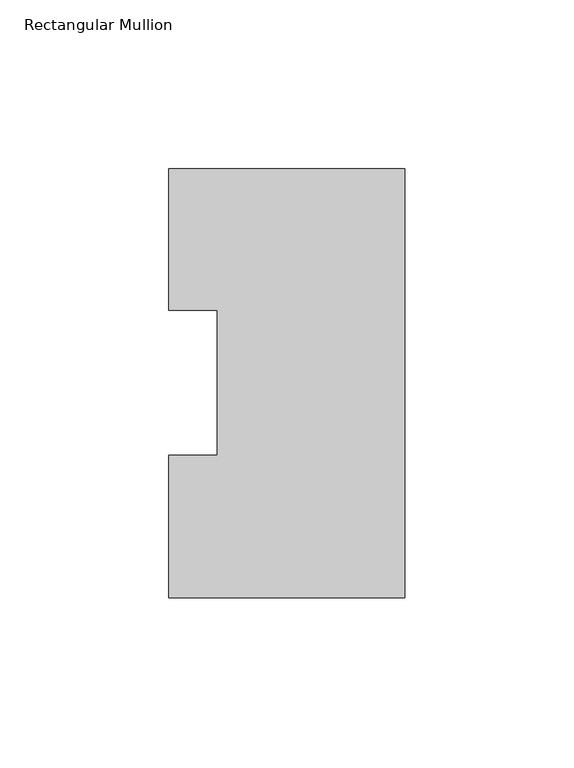
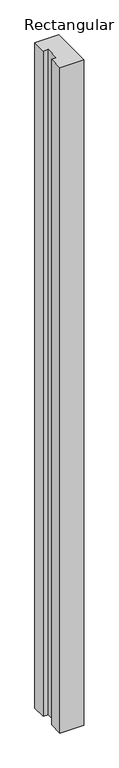
"""IFC4 building model written with IfcOpenShell, lengths in millimetres: member geometry, Rectangular Mullion."""

import ifcopenshell
import ifcopenshell.guid

model = None  # the IFC model being written
_history = None  # IfcOwnerHistory: only IFC2X3 demands one
_inside = {}  # id of a spatial element -> (the spatial element, [elements in it])
_under = {}  # id of a project, library or spatial element -> (it, [spatial elements below it])
_declared = {}  # id of a project -> (the project, [libraries it declares])
_typed = {}  # id of a type object -> (the type object, [elements of that type])
_made_of = {}  # id of a material, layer set ... -> (it, [elements and type objects made of it])


def new_model(schema):
    """Start an empty IFC model of exactly this schema.

    Asked for "IFC4X3", IfcOpenShell would pick the latest addendum, in which some entities
    have other attributes; the version numbers below select the first issue.
    IFC2X3 requires an IfcOwnerHistory on every rooted entity: one is made here for all.
    """
    global model, _history
    if schema == "IFC4X3":
        model = ifcopenshell.file(schema_version=(4, 3, 0, 0))
    else:
        model = ifcopenshell.file(schema=schema)
    _inside.clear()
    _under.clear()
    _declared.clear()
    _typed.clear()
    _made_of.clear()
    _history = None
    if model.schema == "IFC2X3":
        org = make("IfcOrganization", Name="unknown")
        user = make(
            "IfcPersonAndOrganization",
            ThePerson=make("IfcPerson", FamilyName="unknown"),
            TheOrganization=org,
        )
        app = make(
            "IfcApplication",
            ApplicationDeveloper=org,
            Version="unknown",
            ApplicationFullName="unknown",
            ApplicationIdentifier="unknown",
        )
        _history = make(
            "IfcOwnerHistory",
            OwningUser=user,
            OwningApplication=app,
            ChangeAction="ADDED",
            CreationDate=0,
        )
    return model


def make(cls, **values):
    """One entity of the class cls with the attributes given. An attribute that is None is left unset."""
    return model.create_entity(
        cls, **{name: value for name, value in values.items() if value is not None}
    )


def rooted(cls, **values):
    """An entity with a GlobalId (a new one), such as an element, a storey or a relation."""
    return make(cls, GlobalId=ifcopenshell.guid.new(), OwnerHistory=_history, **values)


def si_unit(unit_type, name, prefix=None):
    """IfcSIUnit, for example si_unit("LENGTHUNIT", "METRE", prefix="MILLI")."""
    return make("IfcSIUnit", UnitType=unit_type, Prefix=prefix, Name=name)


def assignment(units):
    """IfcUnitAssignment: the units of a project."""
    return None if units is None else make("IfcUnitAssignment", Units=units)


def point(xyz):
    """IfcCartesianPoint."""
    return None if xyz is None else make("IfcCartesianPoint", Coordinates=xyz)


def direction(xyz):
    """IfcDirection."""
    return None if xyz is None else make("IfcDirection", DirectionRatios=xyz)


def frame(location, z_axis=None, x_axis=None):
    """IfcAxis2Placement3D, a coordinate frame: its origin and axes. An axis left out is left unset."""
    return make(
        "IfcAxis2Placement3D",
        Location=point(location),
        Axis=direction(z_axis),
        RefDirection=direction(x_axis),
    )


def origin():
    """The frame at (0, 0, 0) with its axes left unset."""
    return frame((0.0, 0.0, 0.0))


def place(relative_to, where):
    """IfcLocalPlacement: puts the frame where relative to a parent placement (None: the world)."""
    return make(
        "IfcLocalPlacement", PlacementRelTo=relative_to, RelativePlacement=where
    )


def context(
    kind, dimensions, precision=None, world=None, true_north=None, identifier=None
):
    """IfcGeometricRepresentationContext, for example the 3D "Model" context."""
    return make(
        "IfcGeometricRepresentationContext",
        ContextIdentifier=identifier,
        ContextType=kind,
        CoordinateSpaceDimension=dimensions,
        Precision=precision,
        WorldCoordinateSystem=world,
        TrueNorth=true_north,
    )


def project(units=None, contexts=None):
    """IfcProject with its units and contexts."""
    return rooted(
        "IfcProject",
        Name="project",
        RepresentationContexts=contexts,
        UnitsInContext=assignment(units),
    )


def spatial(cls, under=None, at=None, **own):
    """A site, building, storey or space (cls), placed at a placement, below another one or the project."""
    s = rooted(cls, ObjectPlacement=at, **own)
    if under is not None:
        _under.setdefault(under.id(), (under, []))[1].append(s)
    return s


def polyline(points):
    """IfcPolyline through the points."""
    return make("IfcPolyline", Points=[point(p) for p in points])


def outline(outer, holes=None, kind="AREA"):
    """IfcArbitraryClosedProfileDef: a profile drawn as a closed curve; with holes, ...WithVoids."""
    if holes is None:
        return make("IfcArbitraryClosedProfileDef", ProfileType=kind, OuterCurve=outer)
    return make(
        "IfcArbitraryProfileDefWithVoids",
        ProfileType=kind,
        OuterCurve=outer,
        InnerCurves=holes,
    )


def extrude(swept, where, along, depth):
    """IfcExtrudedAreaSolid: the profile swept, set in the frame where, extruded along a direction by depth."""
    return make(
        "IfcExtrudedAreaSolid",
        SweptArea=swept,
        Position=where,
        ExtrudedDirection=direction(along),
        Depth=depth,
    )


def shape(context_of_items, identifier, shape_type, items):
    """IfcShapeRepresentation: the items that make up one representation, for example the "Body"."""
    return make(
        "IfcShapeRepresentation",
        ContextOfItems=context_of_items,
        RepresentationIdentifier=identifier,
        RepresentationType=shape_type,
        Items=items,
    )


def source(mapping_origin, context_of_items, identifier, shape_type, items):
    """IfcRepresentationMap: a shape defined once, which mapped items show again and again."""
    return make(
        "IfcRepresentationMap",
        MappingOrigin=mapping_origin,
        MappedRepresentation=shape(context_of_items, identifier, shape_type, items),
    )


def transform(
    local_origin,
    x_axis=None,
    y_axis=None,
    z_axis=None,
    scale=None,
    scale2=None,
    scale3=None,
    uniform=True,
):
    """IfcCartesianTransformationOperator3D, or its non-uniform kind. x_axis, y_axis, z_axis: its Axis1, 2, 3."""
    if uniform:
        return make(
            "IfcCartesianTransformationOperator3D",
            Axis1=direction(x_axis),
            Axis2=direction(y_axis),
            LocalOrigin=point(local_origin),
            Scale=scale,
            Axis3=direction(z_axis),
        )
    return make(
        "IfcCartesianTransformationOperator3DnonUniform",
        Axis1=direction(x_axis),
        Axis2=direction(y_axis),
        LocalOrigin=point(local_origin),
        Scale=scale,
        Axis3=direction(z_axis),
        Scale2=scale2,
        Scale3=scale3,
    )


def mapped(mapping_source, mapping_target):
    """IfcMappedItem: shows the shape of a source again, moved by a transform."""
    return make(
        "IfcMappedItem", MappingSource=mapping_source, MappingTarget=mapping_target
    )


def made_of(thing, what):
    """Note that an element or type object is made of a material, layer set ...; save() writes the relation."""
    if what is not None:
        _made_of.setdefault(what.id(), (what, []))[1].append(thing)
    return thing


def element(
    cls,
    number,
    at=None,
    inside=None,
    cuts=None,
    type_object=None,
    material=None,
    context=None,
    identifier="Body",
    shape_type=None,
    held_by="IfcProductDefinitionShape",
    body=None,
    shapes=None,
    **own,
):
    """One element of the class cls, such as IfcWall. Its Tag is "e" and its number.

    at: its placement. inside: the storey or other place that contains it. cuts: it is an
    opening in that element (IfcRelVoidsElement). A single representation is given by context,
    identifier, shape_type and body (its items); several are given by shapes. held_by: the class
    of the entity that holds the representations. save() writes the other relations.
    """
    e = rooted(cls, Tag="e%d" % number, ObjectPlacement=at, **own)
    if body is not None:
        shapes = [shape(context, identifier, shape_type, body)]
    if shapes is not None:
        e.Representation = make(held_by, Representations=shapes)
    if inside is not None:
        _inside.setdefault(inside.id(), (inside, []))[1].append(e)
    if cuts is not None:
        rooted(
            "IfcRelVoidsElement", RelatingBuildingElement=cuts, RelatedOpeningElement=e
        )
    if type_object is not None:
        _typed.setdefault(type_object.id(), (type_object, []))[1].append(e)
    return made_of(e, material)


def aggregate(whole, parts):
    """IfcRelAggregates: a whole, such as a stair, and the parts it consists of."""
    return rooted("IfcRelAggregates", RelatingObject=whole, RelatedObjects=parts)


def save(model, path):
    """Write the relations noted so far, then the file.

    IfcRelAggregates (storeys below a building ...), IfcRelContainedInSpatialStructure (elements
    in a storey), IfcRelDefinesByType, IfcRelAssociatesMaterial and IfcRelDeclares: one each for
    every whole, place, type object, material and project.
    """
    for whole, parts in _under.values():
        aggregate(whole, parts)
    for where, things in _inside.values():
        rooted(
            "IfcRelContainedInSpatialStructure",
            RelatedElements=things,
            RelatingStructure=where,
        )
    for kind, things in _typed.values():
        rooted("IfcRelDefinesByType", RelatedObjects=things, RelatingType=kind)
    for what, things in _made_of.values():
        rooted("IfcRelAssociatesMaterial", RelatedObjects=things, RelatingMaterial=what)
    for by, libraries in _declared.values():
        rooted("IfcRelDeclares", RelatingContext=by, RelatedDefinitions=libraries)
    model.write(path)


def rectangular_mullion_2ca90053(model_context):
    return source(origin(), model_context, "Body", "SweptSolid", [
        extrude(outline(polyline([(0.0, 126.79045), (0.0, -0.20955), (-69.85, -0.20955), (-69.85, 42.08145), (-55.5625, 42.08145), (-55.5625, 84.93125), (-69.85, 84.93125), (-69.85, 126.79045), (0.0, 126.79045)])), frame((0.0, 0.0, -2060.575), z_axis=(0.0, 0.0, 1.0), x_axis=(1.0, 0.0, 0.0)), (0.0, 0.0, 1.0), 2060.575),
    ])


if __name__ == "__main__":
    model = new_model("IFC4")
    model_context = context("Model", 3, world=origin())
    ifc_project = project(units=[si_unit("LENGTHUNIT", "METRE", prefix="MILLI")], contexts=[model_context])
    site = spatial("IfcSite", under=ifc_project)
    building = spatial("IfcBuilding", under=site)
    placement = place(None, origin())
    rectangular_mullion_shape = rectangular_mullion_2ca90053(model_context)
    element("IfcMember", 1, ObjectType="Rectangular Mullion", at=placement, inside=building, context=model_context, shape_type="MappedRepresentation", body=[
        mapped(rectangular_mullion_shape, transform((0.0, 0.0, 0.0), x_axis=(1.0, 0.0, 0.0), y_axis=(0.0, 1.0, 0.0), z_axis=(0.0, 0.0, 1.0))),
    ])
    save(model, "model.ifc")
